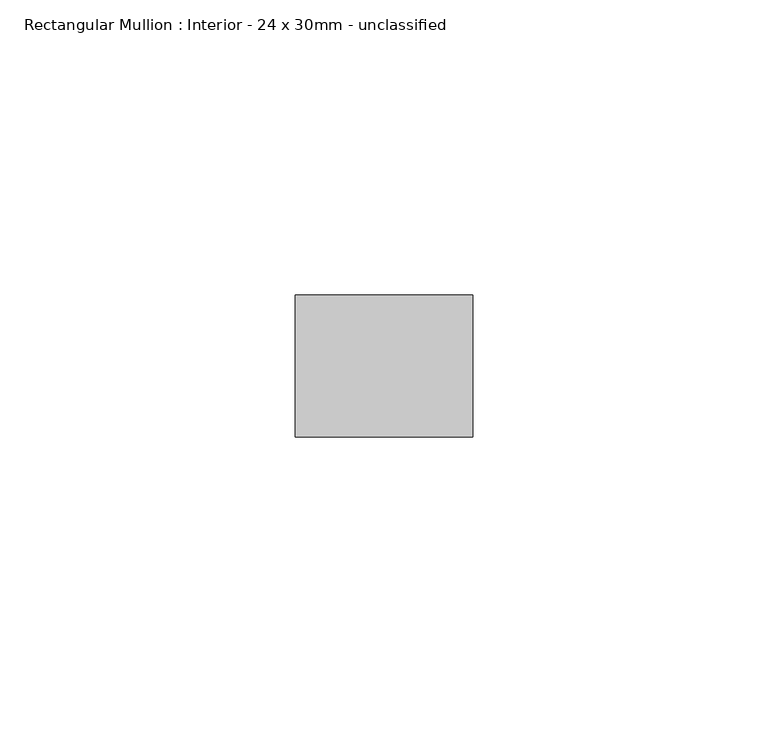
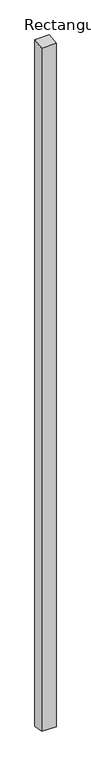
"""IFC4 building model written with IfcOpenShell, lengths in millimetres: member geometry, Rectangular Mullion : Interior - 24 x 30mm - unclassified."""

import ifcopenshell
import ifcopenshell.guid

model = None  # the IFC model being written
_history = None  # IfcOwnerHistory: only IFC2X3 demands one
_inside = {}  # id of a spatial element -> (the spatial element, [elements in it])
_under = {}  # id of a project, library or spatial element -> (it, [spatial elements below it])
_declared = {}  # id of a project -> (the project, [libraries it declares])
_typed = {}  # id of a type object -> (the type object, [elements of that type])
_made_of = {}  # id of a material, layer set ... -> (it, [elements and type objects made of it])


def new_model(schema):
    """Start an empty IFC model of exactly this schema.

    Asked for "IFC4X3", IfcOpenShell would pick the latest addendum, in which some entities
    have other attributes; the version numbers below select the first issue.
    IFC2X3 requires an IfcOwnerHistory on every rooted entity: one is made here for all.
    """
    global model, _history
    if schema == "IFC4X3":
        model = ifcopenshell.file(schema_version=(4, 3, 0, 0))
    else:
        model = ifcopenshell.file(schema=schema)
    _inside.clear()
    _under.clear()
    _declared.clear()
    _typed.clear()
    _made_of.clear()
    _history = None
    if model.schema == "IFC2X3":
        org = make("IfcOrganization", Name="unknown")
        user = make(
            "IfcPersonAndOrganization",
            ThePerson=make("IfcPerson", FamilyName="unknown"),
            TheOrganization=org,
        )
        app = make(
            "IfcApplication",
            ApplicationDeveloper=org,
            Version="unknown",
            ApplicationFullName="unknown",
            ApplicationIdentifier="unknown",
        )
        _history = make(
            "IfcOwnerHistory",
            OwningUser=user,
            OwningApplication=app,
            ChangeAction="ADDED",
            CreationDate=0,
        )
    return model


def make(cls, **values):
    """One entity of the class cls with the attributes given. An attribute that is None is left unset."""
    return model.create_entity(
        cls, **{name: value for name, value in values.items() if value is not None}
    )


def rooted(cls, **values):
    """An entity with a GlobalId (a new one), such as an element, a storey or a relation."""
    return make(cls, GlobalId=ifcopenshell.guid.new(), OwnerHistory=_history, **values)


def si_unit(unit_type, name, prefix=None):
    """IfcSIUnit, for example si_unit("LENGTHUNIT", "METRE", prefix="MILLI")."""
    return make("IfcSIUnit", UnitType=unit_type, Prefix=prefix, Name=name)


def assignment(units):
    """IfcUnitAssignment: the units of a project."""
    return None if units is None else make("IfcUnitAssignment", Units=units)


def point(xyz):
    """IfcCartesianPoint."""
    return None if xyz is None else make("IfcCartesianPoint", Coordinates=xyz)


def direction(xyz):
    """IfcDirection."""
    return None if xyz is None else make("IfcDirection", DirectionRatios=xyz)


def frame(location, z_axis=None, x_axis=None):
    """IfcAxis2Placement3D, a coordinate frame: its origin and axes. An axis left out is left unset."""
    return make(
        "IfcAxis2Placement3D",
        Location=point(location),
        Axis=direction(z_axis),
        RefDirection=direction(x_axis),
    )


def origin():
    """The frame at (0, 0, 0) with its axes left unset."""
    return frame((0.0, 0.0, 0.0))


def place(relative_to, where):
    """IfcLocalPlacement: puts the frame where relative to a parent placement (None: the world)."""
    return make(
        "IfcLocalPlacement", PlacementRelTo=relative_to, RelativePlacement=where
    )


def context(
    kind, dimensions, precision=None, world=None, true_north=None, identifier=None
):
    """IfcGeometricRepresentationContext, for example the 3D "Model" context."""
    return make(
        "IfcGeometricRepresentationContext",
        ContextIdentifier=identifier,
        ContextType=kind,
        CoordinateSpaceDimension=dimensions,
        Precision=precision,
        WorldCoordinateSystem=world,
        TrueNorth=true_north,
    )


def project(units=None, contexts=None):
    """IfcProject with its units and contexts."""
    return rooted(
        "IfcProject",
        Name="project",
        RepresentationContexts=contexts,
        UnitsInContext=assignment(units),
    )


def spatial(cls, under=None, at=None, **own):
    """A site, building, storey or space (cls), placed at a placement, below another one or the project."""
    s = rooted(cls, ObjectPlacement=at, **own)
    if under is not None:
        _under.setdefault(under.id(), (under, []))[1].append(s)
    return s


def polyline(points):
    """IfcPolyline through the points."""
    return make("IfcPolyline", Points=[point(p) for p in points])


def outline(outer, holes=None, kind="AREA"):
    """IfcArbitraryClosedProfileDef: a profile drawn as a closed curve; with holes, ...WithVoids."""
    if holes is None:
        return make("IfcArbitraryClosedProfileDef", ProfileType=kind, OuterCurve=outer)
    return make(
        "IfcArbitraryProfileDefWithVoids",
        ProfileType=kind,
        OuterCurve=outer,
        InnerCurves=holes,
    )


def extrude(swept, where, along, depth):
    """IfcExtrudedAreaSolid: the profile swept, set in the frame where, extruded along a direction by depth."""
    return make(
        "IfcExtrudedAreaSolid",
        SweptArea=swept,
        Position=where,
        ExtrudedDirection=direction(along),
        Depth=depth,
    )


def shape(context_of_items, identifier, shape_type, items):
    """IfcShapeRepresentation: the items that make up one representation, for example the "Body"."""
    return make(
        "IfcShapeRepresentation",
        ContextOfItems=context_of_items,
        RepresentationIdentifier=identifier,
        RepresentationType=shape_type,
        Items=items,
    )


def source(mapping_origin, context_of_items, identifier, shape_type, items):
    """IfcRepresentationMap: a shape defined once, which mapped items show again and again."""
    return make(
        "IfcRepresentationMap",
        MappingOrigin=mapping_origin,
        MappedRepresentation=shape(context_of_items, identifier, shape_type, items),
    )


def transform(
    local_origin,
    x_axis=None,
    y_axis=None,
    z_axis=None,
    scale=None,
    scale2=None,
    scale3=None,
    uniform=True,
):
    """IfcCartesianTransformationOperator3D, or its non-uniform kind. x_axis, y_axis, z_axis: its Axis1, 2, 3."""
    if uniform:
        return make(
            "IfcCartesianTransformationOperator3D",
            Axis1=direction(x_axis),
            Axis2=direction(y_axis),
            LocalOrigin=point(local_origin),
            Scale=scale,
            Axis3=direction(z_axis),
        )
    return make(
        "IfcCartesianTransformationOperator3DnonUniform",
        Axis1=direction(x_axis),
        Axis2=direction(y_axis),
        LocalOrigin=point(local_origin),
        Scale=scale,
        Axis3=direction(z_axis),
        Scale2=scale2,
        Scale3=scale3,
    )


def mapped(mapping_source, mapping_target):
    """IfcMappedItem: shows the shape of a source again, moved by a transform."""
    return make(
        "IfcMappedItem", MappingSource=mapping_source, MappingTarget=mapping_target
    )


def made_of(thing, what):
    """Note that an element or type object is made of a material, layer set ...; save() writes the relation."""
    if what is not None:
        _made_of.setdefault(what.id(), (what, []))[1].append(thing)
    return thing


def element(
    cls,
    number,
    at=None,
    inside=None,
    cuts=None,
    type_object=None,
    material=None,
    context=None,
    identifier="Body",
    shape_type=None,
    held_by="IfcProductDefinitionShape",
    body=None,
    shapes=None,
    **own,
):
    """One element of the class cls, such as IfcWall. Its Tag is "e" and its number.

    at: its placement. inside: the storey or other place that contains it. cuts: it is an
    opening in that element (IfcRelVoidsElement). A single representation is given by context,
    identifier, shape_type and body (its items); several are given by shapes. held_by: the class
    of the entity that holds the representations. save() writes the other relations.
    """
    e = rooted(cls, Tag="e%d" % number, ObjectPlacement=at, **own)
    if body is not None:
        shapes = [shape(context, identifier, shape_type, body)]
    if shapes is not None:
        e.Representation = make(held_by, Representations=shapes)
    if inside is not None:
        _inside.setdefault(inside.id(), (inside, []))[1].append(e)
    if cuts is not None:
        rooted(
            "IfcRelVoidsElement", RelatingBuildingElement=cuts, RelatedOpeningElement=e
        )
    if type_object is not None:
        _typed.setdefault(type_object.id(), (type_object, []))[1].append(e)
    return made_of(e, material)


def aggregate(whole, parts):
    """IfcRelAggregates: a whole, such as a stair, and the parts it consists of."""
    return rooted("IfcRelAggregates", RelatingObject=whole, RelatedObjects=parts)


def save(model, path):
    """Write the relations noted so far, then the file.

    IfcRelAggregates (storeys below a building ...), IfcRelContainedInSpatialStructure (elements
    in a storey), IfcRelDefinesByType, IfcRelAssociatesMaterial and IfcRelDeclares: one each for
    every whole, place, type object, material and project.
    """
    for whole, parts in _under.values():
        aggregate(whole, parts)
    for where, things in _inside.values():
        rooted(
            "IfcRelContainedInSpatialStructure",
            RelatedElements=things,
            RelatingStructure=where,
        )
    for kind, things in _typed.values():
        rooted("IfcRelDefinesByType", RelatedObjects=things, RelatingType=kind)
    for what, things in _made_of.values():
        rooted("IfcRelAssociatesMaterial", RelatedObjects=things, RelatingMaterial=what)
    for by, libraries in _declared.values():
        rooted("IfcRelDeclares", RelatingContext=by, RelatedDefinitions=libraries)
    model.write(path)


def rectangular_mullion_interior_24_x_30mm_unclassified_99652e8d(model_context):
    return source(origin(), model_context, "Body", "SweptSolid", [
        extrude(outline(polyline([(-12.0, -1.8392319), (12.0, 1.8392319), (12.0, -1501.8205983), (-12.0, -1498.1794017), (-12.0, -1.8392319)])), frame((-30.0, 0.0, 0.0), z_axis=(1.0, 0.0, 0.0), x_axis=(0.0, 1.0, 0.0)), (0.0, 0.0, 1.0), 30.0),
    ])


if __name__ == "__main__":
    model = new_model("IFC4")
    model_context = context("Model", 3, world=origin())
    ifc_project = project(units=[si_unit("LENGTHUNIT", "METRE", prefix="MILLI")], contexts=[model_context])
    site = spatial("IfcSite", under=ifc_project)
    building = spatial("IfcBuilding", under=site)
    placement = place(None, origin())
    rectangular_mullion_interior_24_x_30mm_unclassified_shape = rectangular_mullion_interior_24_x_30mm_unclassified_99652e8d(model_context)
    element("IfcMember", 1, ObjectType="Rectangular Mullion : Interior - 24 x 30mm - unclassified", at=placement, inside=building, context=model_context, shape_type="MappedRepresentation", body=[
        mapped(rectangular_mullion_interior_24_x_30mm_unclassified_shape, transform((0.0, 0.0, 0.0), x_axis=(1.0, 0.0, 0.0), y_axis=(0.0, 1.0, 0.0), z_axis=(0.0, 0.0, 1.0))),
    ])
    save(model, "model.ifc")
